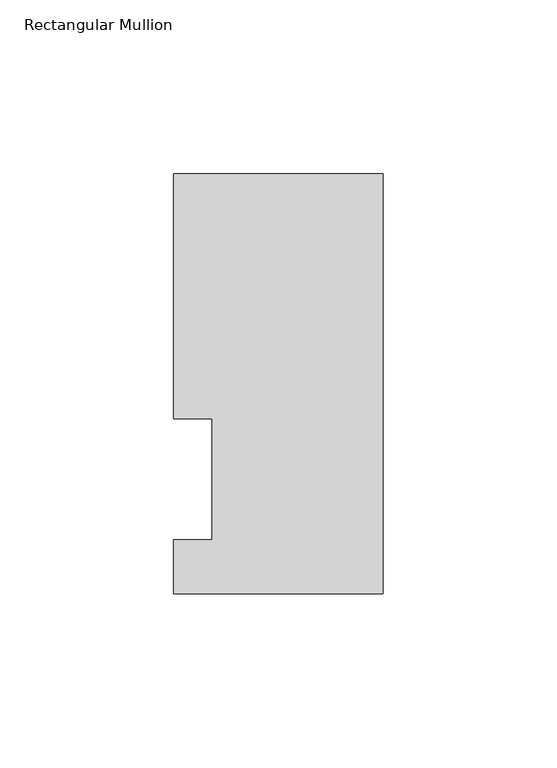
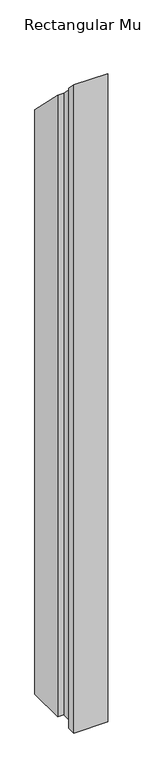
"""IFC4 building model written with IfcOpenShell, lengths in millimetres: member geometry, Rectangular Mullion."""

from ifc_helpers import new_model, si_unit, origin, place, context, project, spatial, faceted_brep, source, transform, mapped, element, save


def rectangular_mullion_52728ae9(model_context):
    return source(origin(), model_context, "Body", "Brep", [
        faceted_brep([(0.0, -3.3164122, -1222.4711685), (-60.3251015, -3.3164122, -1222.4711685), (-60.3251015, 12.1267878, -1222.4711685), (-49.2253015, 12.1267878, -1222.4711685), (-49.2253015, 47.0517878, -1222.4711685), (-60.3251015, 47.0517878, -1222.4711685), (-60.3251015, 117.4859878, -1222.4711685), (0.0, 117.4859878, -1222.4711685), (0.0, 117.4859878, -117.4859878), (0.0, -3.3164122, 3.3164122), (-60.3251015, 117.4859878, -117.4859878), (-60.3251015, 47.0517878, -47.0517878), (-49.2253015, 47.0517878, -47.0517878), (-49.2253015, 12.1267878, -12.1267878), (-60.3251015, 12.1267878, -12.1267878), (-60.3251015, -3.3164122, 3.3164122)], [[[0, 1, 2, 3, 4, 5, 6, 7]], [[8, 9, 0, 7]], [[10, 8, 7, 6]], [[11, 10, 6, 5]], [[12, 11, 5, 4]], [[13, 12, 4, 3]], [[14, 13, 3, 2]], [[15, 14, 2, 1]], [[9, 15, 1, 0]], [[9, 8, 10, 11, 12, 13, 14, 15]]]),
    ])


if __name__ == "__main__":
    model = new_model("IFC4")
    model_context = context("Model", 3, world=origin())
    ifc_project = project(units=[si_unit("LENGTHUNIT", "METRE", prefix="MILLI")], contexts=[model_context])
    site = spatial("IfcSite", under=ifc_project)
    building = spatial("IfcBuilding", under=site)
    placement = place(None, origin())
    rectangular_mullion_shape = rectangular_mullion_52728ae9(model_context)
    element("IfcMember", 1, ObjectType="Rectangular Mullion", at=placement, inside=building, context=model_context, shape_type="MappedRepresentation", body=[
        mapped(rectangular_mullion_shape, transform((0.0, 0.0, 0.0), x_axis=(1.0, 0.0, 0.0), y_axis=(0.0, 1.0, 0.0), z_axis=(0.0, 0.0, 1.0))),
    ])
    save(model, "model.ifc")
